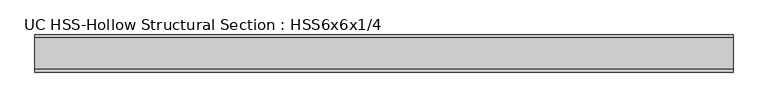
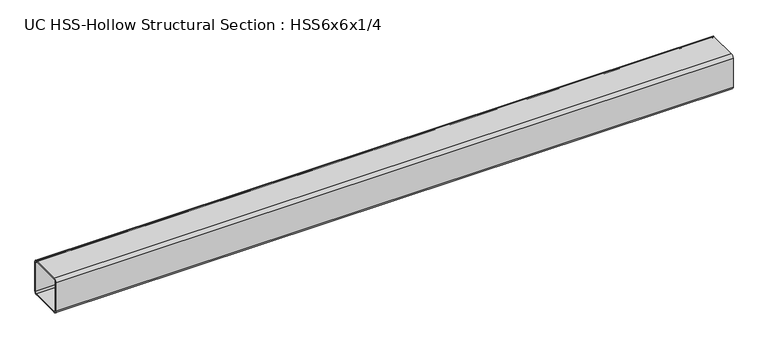
"""IFC4 building model written with IfcOpenShell, lengths in millimetres: beam geometry, UC HSS-Hollow Structural Section : HSS6x6x1/4."""

import ifcopenshell
import ifcopenshell.guid

model = None  # the IFC model being written
_history = None  # IfcOwnerHistory: only IFC2X3 demands one
_inside = {}  # id of a spatial element -> (the spatial element, [elements in it])
_under = {}  # id of a project, library or spatial element -> (it, [spatial elements below it])
_declared = {}  # id of a project -> (the project, [libraries it declares])
_typed = {}  # id of a type object -> (the type object, [elements of that type])
_made_of = {}  # id of a material, layer set ... -> (it, [elements and type objects made of it])


def new_model(schema):
    """Start an empty IFC model of exactly this schema.

    Asked for "IFC4X3", IfcOpenShell would pick the latest addendum, in which some entities
    have other attributes; the version numbers below select the first issue.
    IFC2X3 requires an IfcOwnerHistory on every rooted entity: one is made here for all.
    """
    global model, _history
    if schema == "IFC4X3":
        model = ifcopenshell.file(schema_version=(4, 3, 0, 0))
    else:
        model = ifcopenshell.file(schema=schema)
    _inside.clear()
    _under.clear()
    _declared.clear()
    _typed.clear()
    _made_of.clear()
    _history = None
    if model.schema == "IFC2X3":
        org = make("IfcOrganization", Name="unknown")
        user = make(
            "IfcPersonAndOrganization",
            ThePerson=make("IfcPerson", FamilyName="unknown"),
            TheOrganization=org,
        )
        app = make(
            "IfcApplication",
            ApplicationDeveloper=org,
            Version="unknown",
            ApplicationFullName="unknown",
            ApplicationIdentifier="unknown",
        )
        _history = make(
            "IfcOwnerHistory",
            OwningUser=user,
            OwningApplication=app,
            ChangeAction="ADDED",
            CreationDate=0,
        )
    return model


def make(cls, **values):
    """One entity of the class cls with the attributes given. An attribute that is None is left unset."""
    return model.create_entity(
        cls, **{name: value for name, value in values.items() if value is not None}
    )


def rooted(cls, **values):
    """An entity with a GlobalId (a new one), such as an element, a storey or a relation."""
    return make(cls, GlobalId=ifcopenshell.guid.new(), OwnerHistory=_history, **values)


def si_unit(unit_type, name, prefix=None):
    """IfcSIUnit, for example si_unit("LENGTHUNIT", "METRE", prefix="MILLI")."""
    return make("IfcSIUnit", UnitType=unit_type, Prefix=prefix, Name=name)


def assignment(units):
    """IfcUnitAssignment: the units of a project."""
    return None if units is None else make("IfcUnitAssignment", Units=units)


def point(xyz):
    """IfcCartesianPoint."""
    return None if xyz is None else make("IfcCartesianPoint", Coordinates=xyz)


def direction(xyz):
    """IfcDirection."""
    return None if xyz is None else make("IfcDirection", DirectionRatios=xyz)


def frame(location, z_axis=None, x_axis=None):
    """IfcAxis2Placement3D, a coordinate frame: its origin and axes. An axis left out is left unset."""
    return make(
        "IfcAxis2Placement3D",
        Location=point(location),
        Axis=direction(z_axis),
        RefDirection=direction(x_axis),
    )


def frame_2d(location, x_axis=None):
    """IfcAxis2Placement2D, a coordinate frame in the plane: its origin and x axis."""
    return make(
        "IfcAxis2Placement2D", Location=point(location), RefDirection=direction(x_axis)
    )


def origin():
    """The frame at (0, 0, 0) with its axes left unset."""
    return frame((0.0, 0.0, 0.0))


def place(relative_to, where):
    """IfcLocalPlacement: puts the frame where relative to a parent placement (None: the world)."""
    return make(
        "IfcLocalPlacement", PlacementRelTo=relative_to, RelativePlacement=where
    )


def context(
    kind, dimensions, precision=None, world=None, true_north=None, identifier=None
):
    """IfcGeometricRepresentationContext, for example the 3D "Model" context."""
    return make(
        "IfcGeometricRepresentationContext",
        ContextIdentifier=identifier,
        ContextType=kind,
        CoordinateSpaceDimension=dimensions,
        Precision=precision,
        WorldCoordinateSystem=world,
        TrueNorth=true_north,
    )


def project(units=None, contexts=None):
    """IfcProject with its units and contexts."""
    return rooted(
        "IfcProject",
        Name="project",
        RepresentationContexts=contexts,
        UnitsInContext=assignment(units),
    )


def spatial(cls, under=None, at=None, **own):
    """A site, building, storey or space (cls), placed at a placement, below another one or the project."""
    s = rooted(cls, ObjectPlacement=at, **own)
    if under is not None:
        _under.setdefault(under.id(), (under, []))[1].append(s)
    return s


def polyline(points):
    """IfcPolyline through the points."""
    return make("IfcPolyline", Points=[point(p) for p in points])


def circle_curve(where, radius):
    """IfcCircle in the frame where."""
    return make("IfcCircle", Position=where, Radius=radius)


def trimmed(basis, trim1, trim2, sense, master):
    """IfcTrimmedCurve: the piece of a basis curve between two trims."""
    return make(
        "IfcTrimmedCurve",
        BasisCurve=basis,
        Trim1=trim1,
        Trim2=trim2,
        SenseAgreement=sense,
        MasterRepresentation=master,
    )


def segment(curve, same_sense, transition):
    """IfcCompositeCurveSegment."""
    return make(
        "IfcCompositeCurveSegment",
        Transition=transition,
        SameSense=same_sense,
        ParentCurve=curve,
    )


def composite_curve(segments, self_intersect=None):
    """IfcCompositeCurve: segments joined end to end."""
    return make("IfcCompositeCurve", Segments=segments, SelfIntersect=self_intersect)


def outline(outer, holes=None, kind="AREA"):
    """IfcArbitraryClosedProfileDef: a profile drawn as a closed curve; with holes, ...WithVoids."""
    if holes is None:
        return make("IfcArbitraryClosedProfileDef", ProfileType=kind, OuterCurve=outer)
    return make(
        "IfcArbitraryProfileDefWithVoids",
        ProfileType=kind,
        OuterCurve=outer,
        InnerCurves=holes,
    )


def extrude(swept, where, along, depth):
    """IfcExtrudedAreaSolid: the profile swept, set in the frame where, extruded along a direction by depth."""
    return make(
        "IfcExtrudedAreaSolid",
        SweptArea=swept,
        Position=where,
        ExtrudedDirection=direction(along),
        Depth=depth,
    )


def shape(context_of_items, identifier, shape_type, items):
    """IfcShapeRepresentation: the items that make up one representation, for example the "Body"."""
    return make(
        "IfcShapeRepresentation",
        ContextOfItems=context_of_items,
        RepresentationIdentifier=identifier,
        RepresentationType=shape_type,
        Items=items,
    )


def source(mapping_origin, context_of_items, identifier, shape_type, items):
    """IfcRepresentationMap: a shape defined once, which mapped items show again and again."""
    return make(
        "IfcRepresentationMap",
        MappingOrigin=mapping_origin,
        MappedRepresentation=shape(context_of_items, identifier, shape_type, items),
    )


def transform(
    local_origin,
    x_axis=None,
    y_axis=None,
    z_axis=None,
    scale=None,
    scale2=None,
    scale3=None,
    uniform=True,
):
    """IfcCartesianTransformationOperator3D, or its non-uniform kind. x_axis, y_axis, z_axis: its Axis1, 2, 3."""
    if uniform:
        return make(
            "IfcCartesianTransformationOperator3D",
            Axis1=direction(x_axis),
            Axis2=direction(y_axis),
            LocalOrigin=point(local_origin),
            Scale=scale,
            Axis3=direction(z_axis),
        )
    return make(
        "IfcCartesianTransformationOperator3DnonUniform",
        Axis1=direction(x_axis),
        Axis2=direction(y_axis),
        LocalOrigin=point(local_origin),
        Scale=scale,
        Axis3=direction(z_axis),
        Scale2=scale2,
        Scale3=scale3,
    )


def mapped(mapping_source, mapping_target):
    """IfcMappedItem: shows the shape of a source again, moved by a transform."""
    return make(
        "IfcMappedItem", MappingSource=mapping_source, MappingTarget=mapping_target
    )


def made_of(thing, what):
    """Note that an element or type object is made of a material, layer set ...; save() writes the relation."""
    if what is not None:
        _made_of.setdefault(what.id(), (what, []))[1].append(thing)
    return thing


def element(
    cls,
    number,
    at=None,
    inside=None,
    cuts=None,
    type_object=None,
    material=None,
    context=None,
    identifier="Body",
    shape_type=None,
    held_by="IfcProductDefinitionShape",
    body=None,
    shapes=None,
    **own,
):
    """One element of the class cls, such as IfcWall. Its Tag is "e" and its number.

    at: its placement. inside: the storey or other place that contains it. cuts: it is an
    opening in that element (IfcRelVoidsElement). A single representation is given by context,
    identifier, shape_type and body (its items); several are given by shapes. held_by: the class
    of the entity that holds the representations. save() writes the other relations.
    """
    e = rooted(cls, Tag="e%d" % number, ObjectPlacement=at, **own)
    if body is not None:
        shapes = [shape(context, identifier, shape_type, body)]
    if shapes is not None:
        e.Representation = make(held_by, Representations=shapes)
    if inside is not None:
        _inside.setdefault(inside.id(), (inside, []))[1].append(e)
    if cuts is not None:
        rooted(
            "IfcRelVoidsElement", RelatingBuildingElement=cuts, RelatedOpeningElement=e
        )
    if type_object is not None:
        _typed.setdefault(type_object.id(), (type_object, []))[1].append(e)
    return made_of(e, material)


def aggregate(whole, parts):
    """IfcRelAggregates: a whole, such as a stair, and the parts it consists of."""
    return rooted("IfcRelAggregates", RelatingObject=whole, RelatedObjects=parts)


def save(model, path):
    """Write the relations noted so far, then the file.

    IfcRelAggregates (storeys below a building ...), IfcRelContainedInSpatialStructure (elements
    in a storey), IfcRelDefinesByType, IfcRelAssociatesMaterial and IfcRelDeclares: one each for
    every whole, place, type object, material and project.
    """
    for whole, parts in _under.values():
        aggregate(whole, parts)
    for where, things in _inside.values():
        rooted(
            "IfcRelContainedInSpatialStructure",
            RelatedElements=things,
            RelatingStructure=where,
        )
    for kind, things in _typed.values():
        rooted("IfcRelDefinesByType", RelatedObjects=things, RelatingType=kind)
    for what, things in _made_of.values():
        rooted("IfcRelAssociatesMaterial", RelatedObjects=things, RelatingMaterial=what)
    for by, libraries in _declared.values():
        rooted("IfcRelDeclares", RelatingContext=by, RelatedDefinitions=libraries)
    model.write(path)


def uc_hss_hollow_structural_section_hss6x6x1_4_66a0d86a(model_context):
    return source(origin(), model_context, "Body", "SweptSolid", [
        extrude(outline(composite_curve([segment(trimmed(circle_curve(frame_2d((-64.3636, 64.3636)), 11.8364), [point((-76.2, 64.3636))], [point((-64.3636, 76.2))], False, "CARTESIAN"), True, "CONTINUOUS"), segment(polyline([(-64.3636, 76.2), (64.3636, 76.2)]), True, "CONTINUOUS"), segment(trimmed(circle_curve(frame_2d((64.3636, 64.3636)), 11.8364), [point((64.3636, 76.2))], [point((76.2, 64.3636))], False, "CARTESIAN"), True, "CONTINUOUS"), segment(polyline([(76.2, 64.3636), (76.2, -64.3636)]), True, "CONTINUOUS"), segment(trimmed(circle_curve(frame_2d((64.3636, -64.3636)), 11.8364), [point((76.2, -64.3636))], [point((64.3636, -76.2))], False, "CARTESIAN"), True, "CONTINUOUS"), segment(polyline([(64.3636, -76.2), (-64.3636, -76.2)]), True, "CONTINUOUS"), segment(trimmed(circle_curve(frame_2d((-64.3636, -64.3636)), 11.8364), [point((-64.3636, -76.2))], [point((-76.2, -64.3636))], False, "CARTESIAN"), True, "CONTINUOUS"), segment(polyline([(-76.2, -64.3636), (-76.2, 64.3636)]), True, "CONTINUOUS")], self_intersect=False), holes=[composite_curve([segment(polyline([(64.3636, 70.2818), (-64.3636, 70.2818)]), True, "CONTINUOUS"), segment(trimmed(circle_curve(frame_2d((-64.3636, 64.3636)), 5.9182), [point((-64.3636, 70.2818))], [point((-70.2818, 64.3636))], True, "CARTESIAN"), True, "CONTINUOUS"), segment(polyline([(-70.2818, 64.3636), (-70.2818, -64.3636)]), True, "CONTINUOUS"), segment(trimmed(circle_curve(frame_2d((-64.3636, -64.3636)), 5.9182), [point((-70.2818, -64.3636))], [point((-64.3636, -70.2818))], True, "CARTESIAN"), True, "CONTINUOUS"), segment(polyline([(-64.3636, -70.2818), (64.3636, -70.2818)]), True, "CONTINUOUS"), segment(trimmed(circle_curve(frame_2d((64.3636, -64.3636)), 5.9182), [point((64.3636, -70.2818))], [point((70.2818, -64.3636))], True, "CARTESIAN"), True, "CONTINUOUS"), segment(polyline([(70.2818, -64.3636), (70.2818, 64.3636)]), True, "CONTINUOUS"), segment(trimmed(circle_curve(frame_2d((64.3636, 64.3636)), 5.9182), [point((70.2818, 64.3636))], [point((64.3636, 70.2818))], True, "CARTESIAN"), True, "CONTINUOUS")], self_intersect=False)]), frame((-1059.0564816, 0.0, 0.0), z_axis=(1.0, 0.0, 0.0), x_axis=(0.0, 1.0, 0.0)), (0.0, 0.0, 1.0), 2863.592495),
    ])


if __name__ == "__main__":
    model = new_model("IFC4")
    model_context = context("Model", 3, world=origin())
    ifc_project = project(units=[si_unit("LENGTHUNIT", "METRE", prefix="MILLI")], contexts=[model_context])
    site = spatial("IfcSite", under=ifc_project)
    building = spatial("IfcBuilding", under=site)
    placement = place(None, origin())
    uc_hss_hollow_structural_section_hss6x6x1_4_shape = uc_hss_hollow_structural_section_hss6x6x1_4_66a0d86a(model_context)
    element("IfcBeam", 1, ObjectType="UC HSS-Hollow Structural Section : HSS6x6x1/4", at=placement, inside=building, context=model_context, shape_type="MappedRepresentation", body=[
        mapped(uc_hss_hollow_structural_section_hss6x6x1_4_shape, transform((0.0, 0.0, 0.0), x_axis=(1.0, 0.0, 0.0), y_axis=(0.0, 1.0, 0.0), z_axis=(0.0, 0.0, 1.0))),
    ])
    save(model, "model.ifc")
